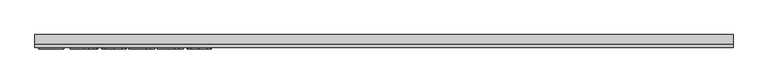
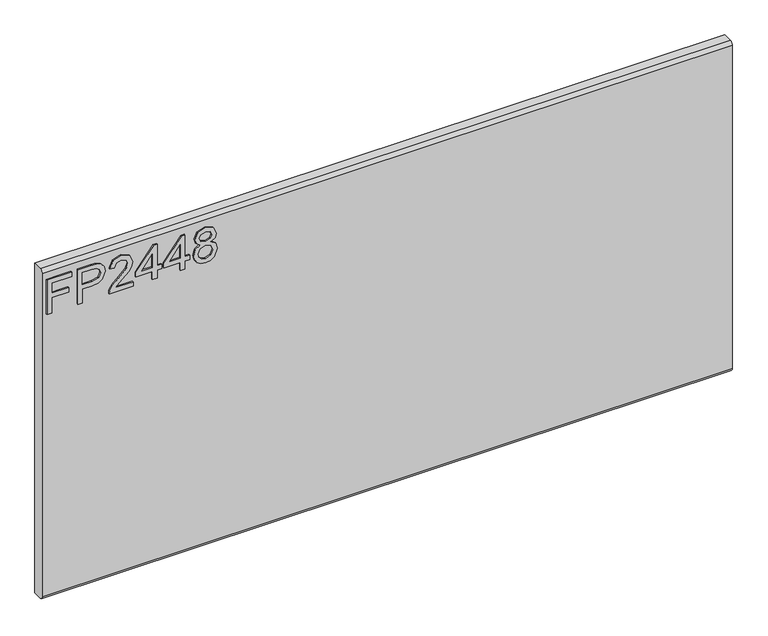
"""IFC4 building model written with IfcOpenShell, lengths in millimetres: furniture geometry."""

from ifc_helpers import new_model, si_unit, frame, origin, place, context, project, spatial, polyline, circle_curve, outline, extrude, source, transform, mapped, element, save
from ifc_brep_helpers import plane_surface, cylinder_surface, advanced_brep


def furniture_ddb306d1(model_context):
    return source(origin(), model_context, "Body", "SolidModel", [
        extrude(outline(polyline([(679.45, -596.2729953), (679.45, -588.2992757), (708.3547336, -588.2992757), (708.3547336, -558.3978271), (716.3284532, -558.3978271), (716.3284532, -588.2992757), (735.2660373, -588.2992757), (735.2660373, -553.4142524), (743.2397569, -553.4142524), (743.2397569, -596.2729953), (679.45, -596.2729953)])), frame((0.0, -15.0812439, 0.0), z_axis=(0.0, 1.0, 0.0), x_axis=(0.0, 0.0, 1.0)), (0.0, 0.0, 1.0), 2.38125),
        extrude(outline(polyline([(679.45, -542.4503879), (679.45, -534.4766683), (705.3645888, -534.4766683), (705.3645888, -518.2644766), (706.774006, -506.9365776), (711.0022577, -499.7395948), (724.7849567, -494.6080702), (733.482852, -496.5080581), (739.6500257, -501.530567), (742.6323838, -509.2784684), (743.2397569, -518.8095551), (743.2397569, -542.4503879), (679.45, -542.4503879)]), holes=[polyline([(713.3383084, -534.4766683), (735.2660373, -534.4766683), (735.2660373, -517.9841506), (734.7209588, -510.0104309), (731.1078671, -504.6297276), (724.5046306, -502.5817898), (716.2661585, -506.0547185), (713.3383084, -517.7972665), (713.3383084, -534.4766683)])]), frame((0.0, -15.0812439, 0.0), z_axis=(0.0, 1.0, 0.0), x_axis=(0.0, 0.0, 1.0)), (0.0, 0.0, 1.0), 2.38125),
        extrude(outline(polyline([(687.4237196, -445.7690375), (687.4237196, -477.0876902), (691.4806609, -473.4901722), (699.150694, -464.3172799), (710.0756243, -452.8939921), (717.8936072, -448.1829566), (725.4546245, -446.7657525), (738.1315928, -452.0218665), (743.2397569, -466.2951361), (738.645524, -480.5216847), (725.2988878, -486.6343506), (724.3021729, -478.660631), (732.3537608, -475.3045048), (735.2660373, -466.4664465), (732.2836793, -457.9865825), (724.9718407, -454.7394721), (715.9391115, -458.1812534), (702.65477, -471.9483787), (693.4117962, -481.9311019), (684.9475059, -486.7745136), (679.45, -487.6310655), (679.45, -445.7690375), (687.4237196, -445.7690375)])), frame((0.0, -15.0812439, 0.0), z_axis=(0.0, 1.0, 0.0), x_axis=(0.0, 0.0, 1.0)), (0.0, 0.0, 1.0), 2.38125),
        extrude(outline(polyline([(679.45, -411.8807292), (679.45, -403.9070095), (694.4007243, -403.9070095), (694.4007243, -395.9332899), (702.3744439, -395.9332899), (702.3744439, -403.9070095), (742.243042, -403.9070095), (742.243042, -409.8872993), (702.3744439, -440.7854628), (694.4007243, -440.7854628), (694.4007243, -411.8807292), (679.45, -411.8807292)]), holes=[polyline([(702.3744439, -411.8807292), (702.3744439, -430.97405), (727.0119916, -411.8807292), (702.3744439, -411.8807292)])]), frame((0.0, -15.0812439, 0.0), z_axis=(0.0, 1.0, 0.0), x_axis=(0.0, 0.0, 1.0)), (0.0, 0.0, 1.0), 2.38125),
        extrude(outline(polyline([(679.45, -363.0416965), (679.45, -355.0679769), (694.4007243, -355.0679769), (694.4007243, -347.0942573), (702.3744439, -347.0942573), (702.3744439, -355.0679769), (742.243042, -355.0679769), (742.243042, -361.0482666), (702.3744439, -391.9464301), (694.4007243, -391.9464301), (694.4007243, -363.0416965), (679.45, -363.0416965)]), holes=[polyline([(702.3744439, -363.0416965), (702.3744439, -382.1350173), (727.0119916, -363.0416965), (702.3744439, -363.0416965)])]), frame((0.0, -15.0812439, 0.0), z_axis=(0.0, 1.0, 0.0), x_axis=(0.0, 0.0, 1.0)), (0.0, 0.0, 1.0), 2.38125),
        extrude(outline(polyline([(714.5842021, -328.4992939), (708.7907964, -337.0959604), (698.2318474, -340.1172526), (690.4742125, -338.676688), (684.1143145, -334.3549943), (679.8685424, -327.6816762), (678.453285, -319.1862386), (679.8627023, -310.690801), (684.090954, -304.0174829), (698.013816, -298.2552246), (708.3313731, -301.1597143), (714.5842021, -309.6395782), (719.513269, -302.5769183), (727.0275653, -300.2486545), (738.5209346, -305.481408), (743.2397569, -319.2952543), (738.6299503, -332.9845112), (727.2455967, -338.1238227), (719.5366295, -335.7644115), (714.5842021, -328.4992939)]), holes=[polyline([(727.0119916, -330.1501031), (732.8365446, -327.2767608), (735.2660373, -319.1862386), (732.7820368, -311.119077), (726.6537972, -308.2223741), (720.7358022, -311.0256349), (718.3218831, -319.0927966), (720.7513758, -327.3234818), (727.0119916, -330.1501031)]), polyline([(698.5121735, -332.143533), (706.9686769, -328.7718332), (710.3481635, -319.3886963), (706.9219559, -309.7330202), (698.2629947, -306.2289442), (689.7675571, -309.6240045), (686.4270047, -319.1239439), (688.0155191, -326.1009486), (692.5085232, -330.8119841), (698.5121735, -332.143533)])]), frame((0.0, -15.0812439, 0.0), z_axis=(0.0, 1.0, 0.0), x_axis=(0.0, 0.0, 1.0)), (0.0, 0.0, 1.0), 2.38125),
        advanced_brep(
        [(603.25, 9.5250061, 762.0), (603.25, -6.7309939, 762.0), (603.25, -12.6999939, 756.031), (603.25, -12.6999939, 158.369), (603.25, -6.7309939, 152.4), (603.25, 9.5250061, 152.4), (-603.25, 9.5250061, 762.0), (-603.25, 9.5250061, 152.4), (-603.25, -6.7309939, 152.4), (-603.25, -12.6999939, 158.369), (-603.25, -12.6999939, 756.0310121), (-603.25, -6.7309939, 762.0)],
        [
            (0, 1),
            (1, 2, circle_curve(frame((603.25, -6.7309939, 756.031), z_axis=(1.0, 0.0, 0.0), x_axis=(0.0, 1.0, 0.0)), 5.969)),
            (2, 3),
            (3, 4, circle_curve(frame((603.25, -6.7309939, 158.369), z_axis=(1.0, 0.0, 0.0), x_axis=(0.0, 1.0, 0.0)), 5.969)),
            (4, 5),
            (5, 0),
            (6, 7),
            (7, 8),
            (8, 9, circle_curve(frame((-603.25, -6.7309939, 158.369), z_axis=(-1.0, 0.0, 0.0), x_axis=(0.0, 1.0, 0.0)), 5.969)),
            (9, 10),
            (10, 11, circle_curve(frame((-603.25, -6.7309939, 756.031), z_axis=(-1.0, 0.0, 0.0), x_axis=(0.0, 1.0, 0.0)), 5.969)),
            (11, 6),
            (0, 6),
            (11, 1),
            (10, 2),
            (9, 3),
            (8, 4),
            (7, 5),
        ],
        [
            plane_surface(frame((603.25, -6.7309939, 762.0), z_axis=(1.0, 0.0, 0.0), x_axis=(0.0, -1.0, 0.0))),
            plane_surface(frame((-603.25, -6.7309939, 762.0), z_axis=(-1.0, 0.0, 0.0), x_axis=(0.0, 1.0, 0.0))),
            plane_surface(frame((603.25, 9.5250061, 762.0), z_axis=(0.0, 0.0, 1.0), x_axis=(-1.0, 0.0, 0.0))),
            cylinder_surface(frame((-603.25, -6.7309939, 756.031), z_axis=(1.0, 0.0, 0.0), x_axis=(0.0, 1.0, 0.0)), 5.969),
            plane_surface(frame((603.25, -12.6999939, 756.0310121), z_axis=(0.0, -1.0, 0.0), x_axis=(-1.0, 0.0, 0.0))),
            cylinder_surface(frame((-603.25, -6.7309939, 158.369), z_axis=(1.0, 0.0, 0.0), x_axis=(0.0, 1.0, 0.0)), 5.969),
            plane_surface(frame((603.25, -6.7309939, 152.4), z_axis=(0.0, 0.0, -1.0), x_axis=(-1.0, 0.0, 0.0))),
            plane_surface(frame((603.25, 9.5250061, 152.4), z_axis=(0.0, 1.0, 0.0), x_axis=(-1.0, 0.0, 0.0))),
        ],
        [
            (0, [[1, 2, 3, 4, 5, 6]]),
            (1, [[7, 8, 9, 10, 11, 12]]),
            (2, [[-1, 13, -12, 14]]),
            (3, [[-2, -14, -11, 15]]),
            (4, [[-3, -15, -10, 16]]),
            (5, [[-4, -16, -9, 17]]),
            (6, [[-5, -17, -8, 18]]),
            (7, [[-6, -18, -7, -13]]),
        ],
    ),
    ])


if __name__ == "__main__":
    model = new_model("IFC4")
    model_context = context("Model", 3, world=origin())
    ifc_project = project(units=[si_unit("LENGTHUNIT", "METRE", prefix="MILLI")], contexts=[model_context])
    site = spatial("IfcSite", under=ifc_project)
    building = spatial("IfcBuilding", under=site)
    placement = place(None, origin())
    furniture_shape = furniture_ddb306d1(model_context)
    element("IfcFurniture", 1, at=placement, inside=building, context=model_context, shape_type="MappedRepresentation", body=[
        mapped(furniture_shape, transform((0.0, 0.0, 0.0), x_axis=(1.0, 0.0, 0.0), y_axis=(0.0, 1.0, 0.0), z_axis=(0.0, 0.0, 1.0))),
    ])
    save(model, "model.ifc")
